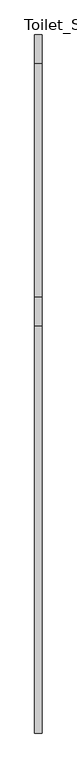
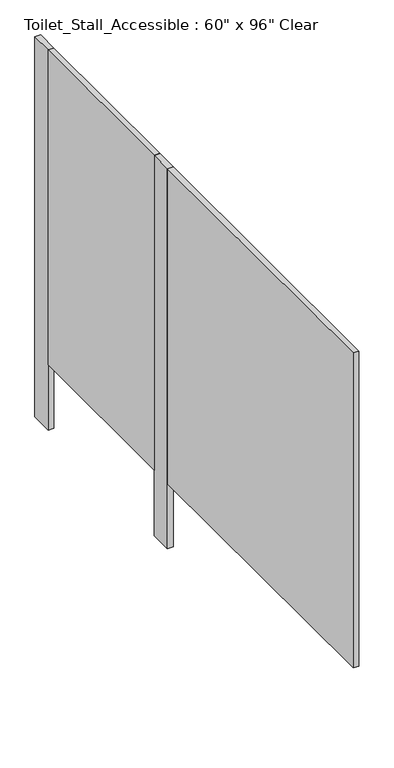
"""IFC4 building model written with IfcOpenShell, lengths in millimetres: proxy geometry."""

from ifc_helpers import new_model, si_unit, frame, origin, origin_with_axes, place, context, project, spatial, polyline, outline, extrude, source, transform, mapped, element, save


def proxy_e74a4aad(model_context):
    return source(origin(), model_context, "Body", "SweptSolid", [
        extrude(outline(polyline([(-661.8968462, 2428.875), (-661.8968462, 1616.075), (-687.2968462, 1616.075), (-687.2968462, 2428.875), (-661.8968462, 2428.875)])), frame((0.0, 0.0, 304.8), z_axis=(0.0, 0.0, 1.0), x_axis=(1.0, 0.0, 0.0)), (0.0, 0.0, 1.0), 1473.2),
        extrude(outline(polyline([(-661.8968462, 2530.475), (-661.8968462, 2428.875), (-687.2968462, 2428.875), (-687.2968462, 2530.475), (-661.8968462, 2530.475)])), origin_with_axes(), (0.0, 0.0, 1.0), 1778.0),
        extrude(outline(polyline([(-661.8968462, 1616.075), (-661.8968462, 1514.475), (-687.2968462, 1514.475), (-687.2968462, 1616.075), (-661.8968462, 1616.075)])), origin_with_axes(), (0.0, 0.0, 1.0), 1778.0),
        extrude(outline(polyline([(-687.2968462, 1514.475), (-661.8968462, 1514.475), (-661.8968462, 92.075), (-687.2968462, 92.075), (-687.2968462, 1514.475)])), frame((0.0, 0.0, 304.8), z_axis=(0.0, 0.0, 1.0), x_axis=(1.0, 0.0, 0.0)), (0.0, 0.0, 1.0), 1473.2),
    ])


if __name__ == "__main__":
    model = new_model("IFC4")
    model_context = context("Model", 3, world=origin())
    ifc_project = project(units=[si_unit("LENGTHUNIT", "METRE", prefix="MILLI")], contexts=[model_context])
    site = spatial("IfcSite", under=ifc_project)
    building = spatial("IfcBuilding", under=site)
    placement = place(None, origin())
    proxy_shape = proxy_e74a4aad(model_context)
    element("IfcBuildingElementProxy", 1, Name="Toilet_Stall_Accessible : 60\" x 96\" Clear", ObjectType="Toilet_Stall_Accessible : 60\" x 96\" Clear", at=placement, inside=building, context=model_context, shape_type="MappedRepresentation", body=[
        mapped(proxy_shape, transform((0.0, 0.0, 0.0), x_axis=(1.0, 0.0, 0.0), y_axis=(0.0, 1.0, 0.0), z_axis=(0.0, 0.0, 1.0))),
    ])
    save(model, "model.ifc")
